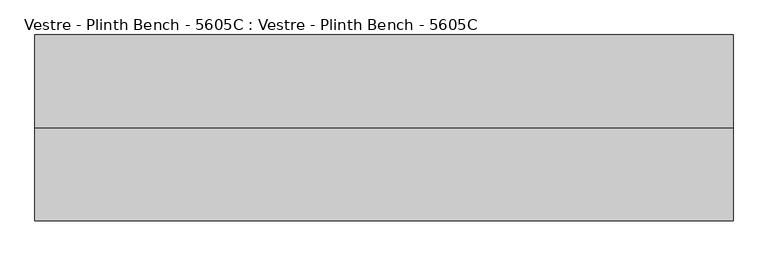
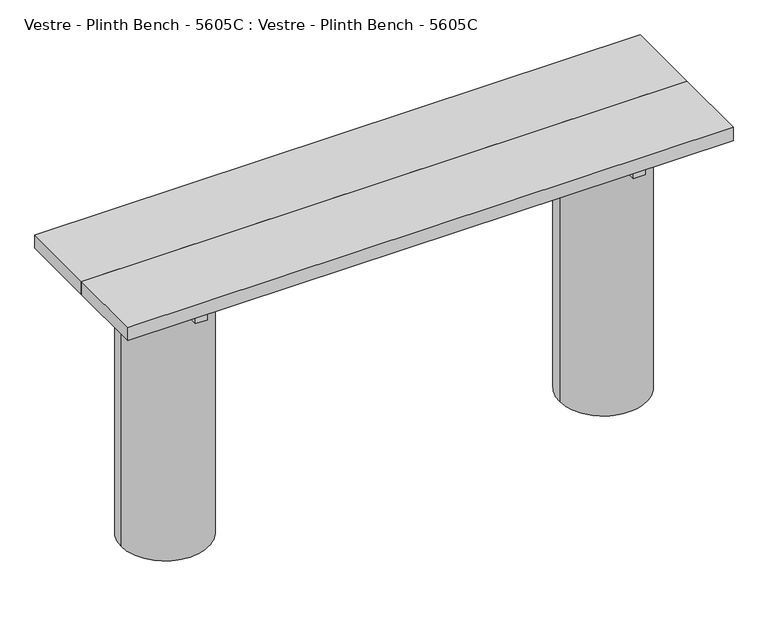
"""IFC4 building model written with IfcOpenShell, lengths in millimetres: furniture geometry, Vestre - Plinth Bench - 5605C : Vestre - Plinth Bench - 5605C."""

from ifc_helpers import new_model, si_unit, frame, origin, place, context, project, spatial, polyline, circle_curve, outline, extrude, source, transform, mapped, element, save
from ifc_brep_helpers import plane_surface, cylinder_surface, advanced_brep


def vestre_plinth_bench_5605c_vestre_plinth_bench_5605c_180ebb5e(model_context):
    return source(origin(), model_context, "Body", "SolidModel", [
        extrude(outline(polyline([(760.0005464, -17.5001515), (760.0005464, -219.9999989), (-760.0005464, -219.9999989), (-760.0005464, -17.5001515), (760.0005464, -17.5001515)])), frame((0.0, 0.0, 704.9999847), z_axis=(0.0, 0.0, 1.0), x_axis=(1.0, 0.0, 0.0)), (0.0, 0.0, 1.0), 35.0000153),
        extrude(outline(polyline([(565.4994536, -378.0001515), (535.4811401, -378.0001515), (535.4811401, -62.0001515), (565.4994536, -62.0001515), (565.4994536, -378.0001515)])), frame((0.0, 0.0, 654.9999847), z_axis=(0.0, 0.0, 1.0), x_axis=(1.0, 0.0, 0.0)), (0.0, 0.0, 1.0), 50.0),
        extrude(outline(polyline([(-535.4811401, -378.0001515), (-565.4994536, -378.0001515), (-565.4994536, -62.0001515), (-535.4811401, -62.0001515), (-535.4811401, -378.0001515)])), frame((0.0, 0.0, 654.9999847), z_axis=(0.0, 0.0, 1.0), x_axis=(1.0, 0.0, 0.0)), (0.0, 0.0, 1.0), 50.0),
        advanced_brep(
        [(-660.0830351, -219.9999989, 654.9999847), (-442.3211565, -237.5001515, 654.9999847), (-538.5005464, -237.5001515, 654.9999847), (-538.5005464, -202.4998463, 654.9999847), (-442.3211565, -202.4998463, 654.9999847), (-660.0830351, -219.9999989, 0.0), (-440.9147793, -219.9999989, 0.0), (-440.9147793, -219.9999989, 564.9999847), (-442.3211565, -237.5001515, 564.9999847), (-442.3211565, -202.4998463, 564.9999847), (-538.5005464, -237.5001515, 564.9999847), (-538.5005464, -202.4998463, 564.9999847)],
        [
            (0, 1, circle_curve(frame((-550.4989072, -219.9999989, 654.9999847), z_axis=(0.0, 0.0, 1.0), x_axis=(1.0, 0.0, 0.0)), 109.5841279)),
            (1, 2),
            (2, 3),
            (3, 4),
            (4, 0, circle_curve(frame((-550.4989072, -219.9999989, 654.9999847), z_axis=(0.0, 0.0, 1.0), x_axis=(1.0, 0.0, 0.0)), 109.5841279)),
            (5, 6, circle_curve(frame((-550.4989072, -219.9999989, 0.0), z_axis=(0.0, 0.0, -1.0), x_axis=(1.0, 0.0, 0.0)), 109.5841279)),
            (6, 5, circle_curve(frame((-550.4989072, -219.9999989, 0.0), z_axis=(0.0, 0.0, -1.0), x_axis=(1.0, 0.0, 0.0)), 109.5841279)),
            (6, 7),
            (7, 8, circle_curve(frame((-550.4989072, -219.9999989, 564.9999847), z_axis=(0.0, 0.0, -1.0), x_axis=(1.0, 0.0, 0.0)), 109.5841279)),
            (8, 1),
            (0, 5),
            (4, 9),
            (9, 7, circle_curve(frame((-550.4989072, -219.9999989, 564.9999847), z_axis=(0.0, 0.0, -1.0), x_axis=(1.0, 0.0, 0.0)), 109.5841279)),
            (10, 11),
            (11, 3),
            (2, 10),
            (10, 8),
            (9, 11),
        ],
        [
            plane_surface(frame((-440.9147793, -219.9999989, 654.9999847), z_axis=(0.0, 0.0, 1.0), x_axis=(0.0, 1.0, 0.0))),
            plane_surface(frame((-440.9147793, -219.9999989, 0.0), z_axis=(0.0, 0.0, -1.0), x_axis=(0.0, -1.0, 0.0))),
            cylinder_surface(frame((-550.4989072, -219.9999989, 0.0), z_axis=(0.0, 0.0, 1.0), x_axis=(1.0, 0.0, 0.0)), 109.5841279),
            plane_surface(frame((-538.5005464, -202.4998463, 564.9999847), z_axis=(1.0, 0.0, 0.0), x_axis=(0.0, -1.0, 0.0))),
            plane_surface(frame((-420.0, -237.5001515, 564.9999847), z_axis=(0.0, 0.0, 1.0), x_axis=(-1.0, 0.0, 0.0))),
            plane_surface(frame((-420.0, -202.4998463, 564.9999847), z_axis=(0.0, -1.0, 0.0), x_axis=(-1.0, 0.0, 0.0))),
            plane_surface(frame((-420.0, -237.5001515, 654.9999847), z_axis=(0.0, 1.0, 0.0), x_axis=(-1.0, 0.0, 0.0))),
        ],
        [
            (0, [[1, 2, 3, 4, 5]]),
            (1, [[6, 7]]),
            (2, [[-7, 8, 9, 10, -1, 11]]),
            (2, [[-6, -11, -5, 12, 13, -8]]),
            (3, [[14, 15, -3, 16]]),
            (4, [[-14, 17, -9, -13, 18]]),
            (5, [[-15, -18, -12, -4]]),
            (6, [[-16, -2, -10, -17]]),
        ],
    ),
        advanced_brep(
        [(538.5005464, -237.5001515, 564.9999847), (538.5005464, -237.5001515, 654.9999847), (538.5005464, -202.4998463, 654.9999847), (538.5005464, -202.4998463, 564.9999847), (442.3211565, -202.4998463, 564.9999847), (440.9147793, -219.9999989, 564.9999847), (442.3211565, -237.5001515, 564.9999847), (442.3211565, -202.4998463, 654.9999847), (442.3211565, -237.5001515, 654.9999847), (660.0830351, -219.9999989, 654.9999847), (660.0830351, -219.9999989, 0.0), (440.9147793, -219.9999989, 0.0)],
        [
            (0, 1),
            (1, 2),
            (2, 3),
            (3, 0),
            (3, 4),
            (4, 5, circle_curve(frame((550.4989072, -219.9999989, 564.9999847), z_axis=(0.0, 0.0, 1.0), x_axis=(-1.0, 0.0, 0.0)), 109.5841279)),
            (5, 6, circle_curve(frame((550.4989072, -219.9999989, 564.9999847), z_axis=(0.0, 0.0, 1.0), x_axis=(-1.0, 0.0, 0.0)), 109.5841279)),
            (6, 0),
            (2, 7),
            (7, 4),
            (6, 8),
            (8, 1),
            (9, 7, circle_curve(frame((550.4989072, -219.9999989, 654.9999847), z_axis=(0.0, 0.0, 1.0), x_axis=(-1.0, 0.0, 0.0)), 109.5841279)),
            (8, 9, circle_curve(frame((550.4989072, -219.9999989, 654.9999847), z_axis=(0.0, 0.0, 1.0), x_axis=(-1.0, 0.0, 0.0)), 109.5841279)),
            (10, 11, circle_curve(frame((550.4989072, -219.9999989, 0.0), z_axis=(0.0, 0.0, -1.0), x_axis=(-1.0, 0.0, 0.0)), 109.5841279)),
            (11, 10, circle_curve(frame((550.4989072, -219.9999989, 0.0), z_axis=(0.0, 0.0, -1.0), x_axis=(-1.0, 0.0, 0.0)), 109.5841279)),
            (10, 9),
            (5, 11),
        ],
        [
            plane_surface(frame((538.5005464, -237.5001515, 564.9999847), z_axis=(-1.0, 0.0, 0.0), x_axis=(0.0, 0.0, -1.0))),
            plane_surface(frame((420.0, -202.4998463, 564.9999847), z_axis=(0.0, 0.0, 1.0), x_axis=(1.0, 0.0, 0.0))),
            plane_surface(frame((420.0, -202.4998463, 654.9999847), z_axis=(0.0, -1.0, 0.0), x_axis=(1.0, 0.0, 0.0))),
            plane_surface(frame((420.0, -237.5001515, 564.9999847), z_axis=(0.0, 1.0, 0.0), x_axis=(1.0, 0.0, 0.0))),
            plane_surface(frame((440.9147793, -219.9999989, 654.9999847), z_axis=(0.0, 0.0, 1.0), x_axis=(0.0, -1.0, 0.0))),
            plane_surface(frame((440.9147793, -219.9999989, 0.0), z_axis=(0.0, 0.0, -1.0), x_axis=(0.0, 1.0, 0.0))),
            cylinder_surface(frame((550.4989072, -219.9999989, 0.0), z_axis=(0.0, 0.0, 1.0), x_axis=(-1.0, 0.0, 0.0)), 109.5841279),
        ],
        [
            (0, [[1, 2, 3, 4]]),
            (1, [[-4, 5, 6, 7, 8]]),
            (2, [[-3, 9, 10, -5]]),
            (3, [[-1, -8, 11, 12]]),
            (4, [[13, -9, -2, -12, 14]]),
            (5, [[15, 16]]),
            (6, [[-15, 17, -14, -11, -7, 18]]),
            (6, [[-16, -18, -6, -10, -13, -17]]),
        ],
    ),
        extrude(outline(polyline([(538.5005464, -202.4998463), (538.5005464, -237.5001515), (-538.5005464, -237.5001515), (-538.5005464, -202.4998463), (538.5005464, -202.4998463)])), frame((0.0, 0.0, 564.9999847), z_axis=(0.0, 0.0, 1.0), x_axis=(1.0, 0.0, 0.0)), (0.0, 0.0, 1.0), 90.0),
        extrude(outline(polyline([(760.0005464, -219.9999989), (760.0005464, -422.4998463), (-760.0005464, -422.4998463), (-760.0005464, -219.9999989), (760.0005464, -219.9999989)])), frame((0.0, 0.0, 704.9999847), z_axis=(0.0, 0.0, 1.0), x_axis=(1.0, 0.0, 0.0)), (0.0, 0.0, 1.0), 35.0000153),
    ])


if __name__ == "__main__":
    model = new_model("IFC4")
    model_context = context("Model", 3, world=origin())
    ifc_project = project(units=[si_unit("LENGTHUNIT", "METRE", prefix="MILLI")], contexts=[model_context])
    site = spatial("IfcSite", under=ifc_project)
    building = spatial("IfcBuilding", under=site)
    placement = place(None, origin())
    vestre_plinth_bench_5605c_vestre_plinth_bench_5605c_shape = vestre_plinth_bench_5605c_vestre_plinth_bench_5605c_180ebb5e(model_context)
    element("IfcFurniture", 1, ObjectType="Vestre - Plinth Bench - 5605C : Vestre - Plinth Bench - 5605C", at=placement, inside=building, context=model_context, shape_type="MappedRepresentation", body=[
        mapped(vestre_plinth_bench_5605c_vestre_plinth_bench_5605c_shape, transform((0.0, 0.0, 0.0), x_axis=(1.0, 0.0, 0.0), y_axis=(0.0, 1.0, 0.0), z_axis=(0.0, 0.0, 1.0))),
    ])
    save(model, "model.ifc")
